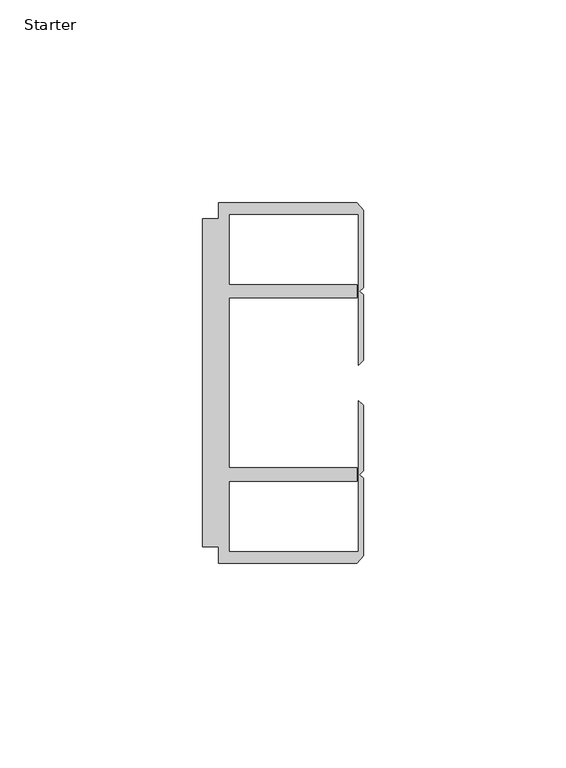
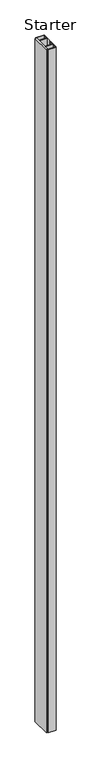
"""IFC4 building model written with IfcOpenShell, lengths in millimetres: furniture geometry, Starter."""

from ifc_helpers import new_model, si_unit, origin, origin_with_axes, place, context, project, spatial, polyline, outline, extrude, source, transform, mapped, element, save


def starter_74611fd2(model_context):
    return source(origin(), model_context, "Body", "SweptSolid", [
        extrude(outline(polyline([(33.9771533, 59.951805), (68.0771531, 59.951805), (69.6646531, 58.0797005), (69.6646531, 39.033865), (68.7563205, 38.1255324), (69.6646531, 37.2171998), (69.6646531, 21.058055), (68.5195633, 19.9129652), (68.5195633, 57.1518064), (36.5771534, 57.1518064), (36.5771534, 39.7518058), (68.0771531, 39.7518058), (68.0771531, 36.4518057), (36.5771534, 36.4518057), (36.5771534, -5.4481956), (68.0771531, -5.4481956), (68.0771531, -8.7481957), (36.5771534, -8.7481957), (36.5771534, -26.1481963), (68.5195633, -26.1481963), (68.5195633, 11.0906449), (69.6646531, 9.945555), (69.6646531, -6.2135897), (68.7563205, -7.1219223), (69.6646531, -8.0302549), (69.6646531, -27.0760904), (68.0771531, -28.948195), (33.9771533, -28.948195), (33.9771533, -24.9481962), (29.9771531, -24.9481962), (29.9771531, 55.9518063), (33.9771533, 55.9518063), (33.9771533, 59.951805)])), origin_with_axes(), (0.0, 0.0, 1.0), 3048.0),
    ])


if __name__ == "__main__":
    model = new_model("IFC4")
    model_context = context("Model", 3, world=origin())
    ifc_project = project(units=[si_unit("LENGTHUNIT", "METRE", prefix="MILLI")], contexts=[model_context])
    site = spatial("IfcSite", under=ifc_project)
    building = spatial("IfcBuilding", under=site)
    placement = place(None, origin())
    starter_shape = starter_74611fd2(model_context)
    element("IfcFurniture", 1, ObjectType="Starter", at=placement, inside=building, context=model_context, shape_type="MappedRepresentation", body=[
        mapped(starter_shape, transform((0.0, 0.0, 0.0), x_axis=(1.0, 0.0, 0.0), y_axis=(0.0, 1.0, 0.0), z_axis=(0.0, 0.0, 1.0))),
    ])
    save(model, "model.ifc")
